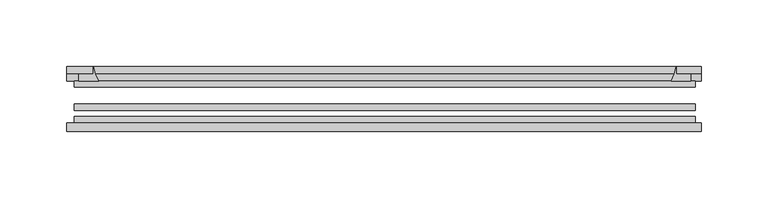
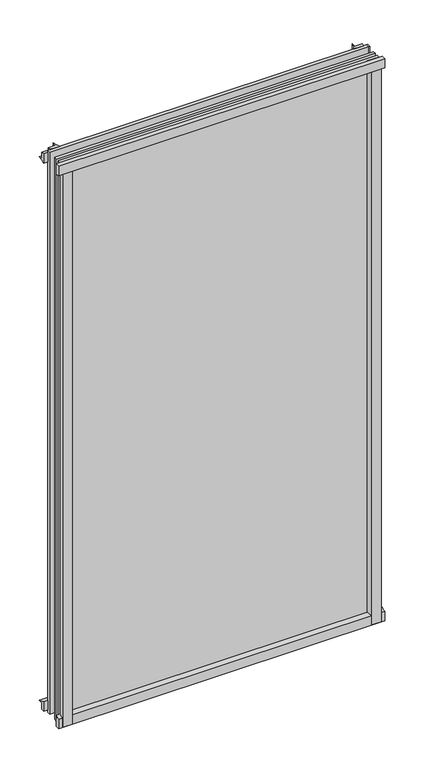
"""IFC4 building model written with IfcOpenShell, lengths in millimetres: plate geometry."""

from ifc_helpers import new_model, si_unit, point, frame, frame_2d, origin, place, context, project, spatial, polyline, circle_curve, trimmed, segment, composite_curve, outline, extrude, source, transform, mapped, element, save


def plate_70635e00(model_context):
    return source(origin(), model_context, "Body", "SweptSolid", [
        extrude(outline(composite_curve([segment(polyline([(-85.1328625, 855.6813002), (-78.7828625, 855.6813002), (-78.7828625, 839.4311909)]), True, "CONTINUOUS"), segment(trimmed(circle_curve(frame_2d((-85.0581856, 830.3814356)), 11.0126179), [point((-78.7828625, 839.4311909))], [point((-85.1328625, 841.3938002))], True, "CARTESIAN"), True, "CONTINUOUS"), segment(polyline([(-85.1328625, 841.3938002), (-85.1328625, 855.6813002)]), True, "CONTINUOUS")], self_intersect=False)), frame((-239.1029, 0.0, 0.0), z_axis=(1.0, 0.0, 0.0), x_axis=(0.0, 1.0, 0.0)), (0.0, 0.0, 1.0), 477.015175),
        extrude(outline(composite_curve([segment(polyline([(-233.3482125, -78.7828625), (-216.4869969, -78.7828625)]), True, "CONTINUOUS"), segment(trimmed(circle_curve(frame_2d((-205.9245934, -86.7604812)), 13.2365693), [point((-216.4869969, -78.7828625))], [point((-219.0607125, -85.1328625))], True, "CARTESIAN"), True, "CONTINUOUS"), segment(polyline([(-219.0607125, -85.1328625), (-233.3482125, -85.1328625), (-233.3482125, -78.7828625)]), True, "CONTINUOUS")], self_intersect=False)), frame((0.0, 0.0, -14.2875), z_axis=(0.0, 0.0, 1.0), x_axis=(1.0, 0.0, 0.0)), (0.0, 0.0, 1.0), 869.95),
        extrude(outline(composite_curve([segment(polyline([(233.3482125, -78.7828625), (233.3482125, -85.1328625), (219.0607125, -85.1328625)]), True, "CONTINUOUS"), segment(trimmed(circle_curve(frame_2d((205.9245934, -86.7604812)), 13.2365693), [point((219.0607125, -85.1328625))], [point((216.4869969, -78.7828625))], True, "CARTESIAN"), True, "CONTINUOUS"), segment(polyline([(216.4869969, -78.7828625), (233.3482125, -78.7828625)]), True, "CONTINUOUS")], self_intersect=False)), frame((0.0, 0.0, -14.2875), z_axis=(0.0, 0.0, 1.0), x_axis=(1.0, 0.0, 0.0)), (0.0, 0.0, 1.0), 869.95),
        extrude(outline(composite_curve([segment(polyline([(-47.1852625, -10.4712201), (-47.1852625, 3.9588469)]), True, "CONTINUOUS"), segment(trimmed(circle_curve(frame_2d((-30.6824422, 32.267054)), 32.7673262), [point((-47.1852625, 3.9588469))], [point((-36.3503395, -0.00635))], True, "CARTESIAN"), True, "CONTINUOUS"), segment(polyline([(-36.3503395, -0.00635), (-42.2830625, -0.00635), (-42.2830625, -10.4712201), (-47.1852625, -10.4712201)]), True, "CONTINUOUS")], self_intersect=False)), frame((-239.1029, 0.0, 0.0), z_axis=(1.0, 0.0, 0.0), x_axis=(0.0, 1.0, 0.0)), (0.0, 0.0, 1.0), 477.015175),
        extrude(outline(composite_curve([segment(polyline([(-78.7828625, -14.2875), (-85.1328625, -14.2875), (-85.1328625, -0.0127)]), True, "CONTINUOUS"), segment(trimmed(circle_curve(frame_2d((-86.7604812, 13.1234191)), 13.2365693), [point((-85.1328625, -0.0127))], [point((-78.7828625, 2.5610156))], True, "CARTESIAN"), True, "CONTINUOUS"), segment(polyline([(-78.7828625, 2.5610156), (-78.7828625, -14.2875)]), True, "CONTINUOUS")], self_intersect=False)), frame((-239.1029, 0.0, 0.0), z_axis=(1.0, 0.0, 0.0), x_axis=(0.0, 1.0, 0.0)), (0.0, 0.0, 1.0), 477.015175),
        extrude(outline(composite_curve([segment(polyline([(-47.1852625, 837.4034531), (-47.1852625, 852.0752564), (-42.2830625, 852.0752564), (-42.2830625, 841.375), (-36.3140625, 841.375)]), True, "CONTINUOUS"), segment(trimmed(circle_curve(frame_2d((-30.6824422, 809.095246)), 32.7673262), [point((-36.3140625, 841.375))], [point((-47.1852625, 837.4034531))], True, "CARTESIAN"), True, "CONTINUOUS")], self_intersect=False)), frame((-239.1029, 0.0, 0.0), z_axis=(1.0, 0.0, 0.0), x_axis=(0.0, 1.0, 0.0)), (0.0, 0.0, 1.0), 477.015175),
        extrude(outline(composite_curve([segment(trimmed(circle_curve(frame_2d((186.7809585, -30.6824422)), 32.7673262), [point((215.0891656, -47.1852625))], [point((219.0607125, -36.3140625))], True, "CARTESIAN"), True, "CONTINUOUS"), segment(polyline([(219.0607125, -36.3140625), (219.0607125, -42.2830625), (229.7610778, -42.2830625), (229.7610778, -47.1852625), (215.0891656, -47.1852625)]), True, "CONTINUOUS")], self_intersect=False)), frame((0.0, 0.0, -14.2875), z_axis=(0.0, 0.0, 1.0), x_axis=(1.0, 0.0, 0.0)), (0.0, 0.0, 1.0), 869.95),
        extrude(outline(composite_curve([segment(polyline([(-215.0891656, -47.1852625), (-229.7559217, -47.1852625), (-229.7559217, -42.2830625), (-219.0607125, -42.2830625), (-219.0607125, -36.3140625)]), True, "CONTINUOUS"), segment(trimmed(circle_curve(frame_2d((-186.7809585, -30.6824422)), 32.7673262), [point((-219.0607125, -36.3140625))], [point((-215.0891656, -47.1852625))], True, "CARTESIAN"), True, "CONTINUOUS")], self_intersect=False)), frame((0.0, 0.0, -14.2875), z_axis=(0.0, 0.0, 1.0), x_axis=(1.0, 0.0, 0.0)), (0.0, 0.0, 1.0), 869.95),
        extrude(outline(polyline([(233.3482125, -64.6604625), (233.3482125, -69.4356625), (-233.3482125, -69.4356625), (-233.3482125, -64.6604625), (233.3482125, -64.6604625)])), frame((0.0, 0.0, -14.2875), z_axis=(0.0, 0.0, 1.0), x_axis=(1.0, 0.0, 0.0)), (0.0, 0.0, 1.0), 869.95),
        extrude(outline(polyline([(-233.3482125, -78.7828625), (-233.3482125, -74.0076625), (233.3482125, -74.0076625), (233.3482125, -78.7828625), (-233.3482125, -78.7828625)])), frame((0.0, 0.0, -14.2875), z_axis=(0.0, 0.0, 1.0), x_axis=(1.0, 0.0, 0.0)), (0.0, 0.0, 1.0), 869.95),
        extrude(outline(polyline([(-233.3482125, -47.1852625), (233.3482125, -47.1852625), (233.3482125, -51.9604625), (-233.3482125, -51.9604625), (-233.3482125, -47.1852625)])), frame((0.0, 0.0, -14.2875), z_axis=(0.0, 0.0, 1.0), x_axis=(1.0, 0.0, 0.0)), (0.0, 0.0, 1.0), 869.95),
    ])


if __name__ == "__main__":
    model = new_model("IFC4")
    model_context = context("Model", 3, world=origin())
    ifc_project = project(units=[si_unit("LENGTHUNIT", "METRE", prefix="MILLI")], contexts=[model_context])
    site = spatial("IfcSite", under=ifc_project)
    building = spatial("IfcBuilding", under=site)
    placement = place(None, origin())
    plate_shape = plate_70635e00(model_context)
    element("IfcPlate", 1, at=placement, inside=building, context=model_context, shape_type="MappedRepresentation", body=[
        mapped(plate_shape, transform((0.0, 0.0, 0.0), x_axis=(1.0, 0.0, 0.0), y_axis=(0.0, 1.0, 0.0), z_axis=(0.0, 0.0, 1.0))),
    ])
    save(model, "model.ifc")
